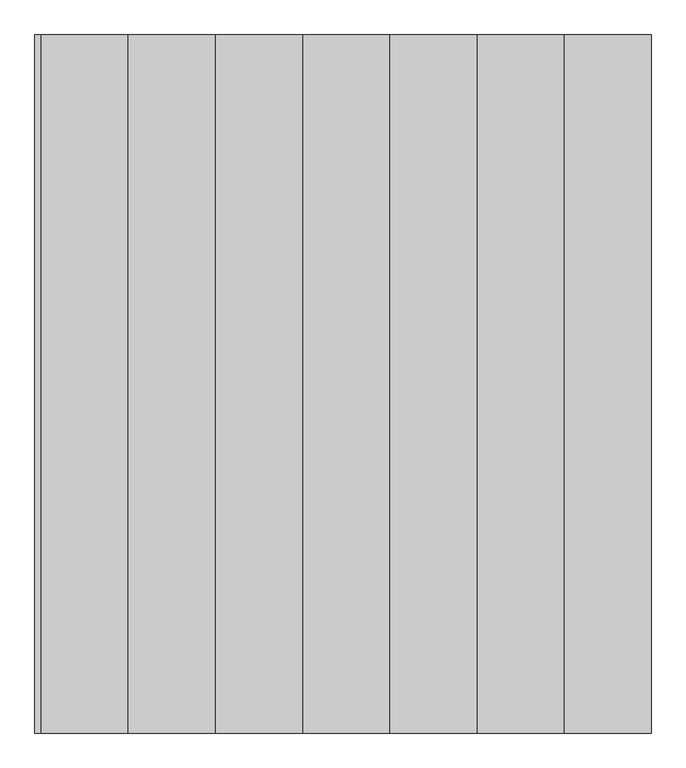
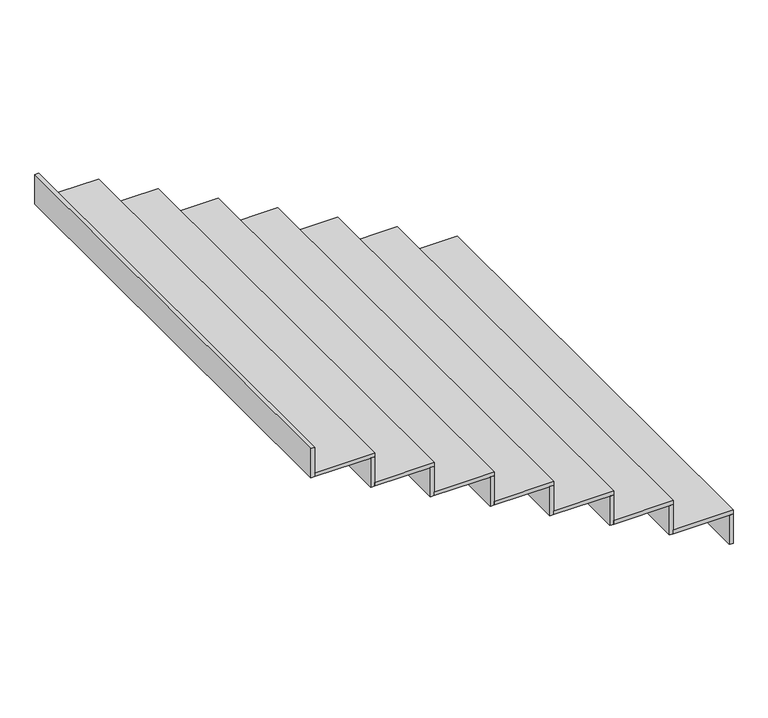
"""IFC4 building model written with IfcOpenShell, lengths in millimetres: stair flight geometry."""

from ifc_helpers import new_model, si_unit, frame, origin, place, context, project, spatial, polyline, outline, extrude, source, transform, mapped, element, save


def stair_flight_fa4d7f8e(model_context):
    return source(origin(), model_context, "Body", "SweptSolid", [
        extrude(outline(polyline([(140353.7432689, 83115.1344505), (140373.7432689, 83115.1344505), (140373.7432689, 80715.1344505), (140353.7432689, 80715.1344505), (140353.7432689, 83115.1344505)])), frame((0.0, 0.0, 9989.9828285), z_axis=(0.0, 0.0, 1.0), x_axis=(1.0, 0.0, 0.0)), (0.0, 0.0, 1.0), 155.5958964),
        extrude(outline(polyline([(140073.7432689, 80715.1344505), (140073.7432689, 83115.1344505), (140373.7432689, 83115.1344505), (140373.7432689, 80715.1344505), (140073.7432689, 80715.1344505)])), frame((0.0, 0.0, 10145.5787249), z_axis=(0.0, 0.0, 1.0), x_axis=(1.0, 0.0, 0.0)), (0.0, 0.0, 1.0), 20.0),
        extrude(outline(polyline([(140053.7432689, 83115.1344505), (140073.7432689, 83115.1344505), (140073.7432689, 80715.1344505), (140053.7432689, 80715.1344505), (140053.7432689, 83115.1344505)])), frame((0.0, 0.0, 10145.5787249), z_axis=(0.0, 0.0, 1.0), x_axis=(1.0, 0.0, 0.0)), (0.0, 0.0, 1.0), 155.5958964),
        extrude(outline(polyline([(139773.7432689, 80715.1344505), (139773.7432689, 83115.1344505), (140073.7432689, 83115.1344505), (140073.7432689, 80715.1344505), (139773.7432689, 80715.1344505)])), frame((0.0, 0.0, 10301.1746214), z_axis=(0.0, 0.0, 1.0), x_axis=(1.0, 0.0, 0.0)), (0.0, 0.0, 1.0), 20.0),
        extrude(outline(polyline([(139753.7432689, 83115.1344505), (139773.7432689, 83115.1344505), (139773.7432689, 80715.1344505), (139753.7432689, 80715.1344505), (139753.7432689, 83115.1344505)])), frame((0.0, 0.0, 10301.1746214), z_axis=(0.0, 0.0, 1.0), x_axis=(1.0, 0.0, 0.0)), (0.0, 0.0, 1.0), 155.5958964),
        extrude(outline(polyline([(139473.7432689, 80715.1344505), (139473.7432689, 83115.1344505), (139773.7432689, 83115.1344505), (139773.7432689, 80715.1344505), (139473.7432689, 80715.1344505)])), frame((0.0, 0.0, 10456.7705178), z_axis=(0.0, 0.0, 1.0), x_axis=(1.0, 0.0, 0.0)), (0.0, 0.0, 1.0), 20.0),
        extrude(outline(polyline([(139453.7432689, 83115.1344505), (139473.7432689, 83115.1344505), (139473.7432689, 80715.1344505), (139453.7432689, 80715.1344505), (139453.7432689, 83115.1344505)])), frame((0.0, 0.0, 10456.7705178), z_axis=(0.0, 0.0, 1.0), x_axis=(1.0, 0.0, 0.0)), (0.0, 0.0, 1.0), 155.5958964),
        extrude(outline(polyline([(139173.7432689, 80715.1344505), (139173.7432689, 83115.1344505), (139473.7432689, 83115.1344505), (139473.7432689, 80715.1344505), (139173.7432689, 80715.1344505)])), frame((0.0, 0.0, 10612.3664142), z_axis=(0.0, 0.0, 1.0), x_axis=(1.0, 0.0, 0.0)), (0.0, 0.0, 1.0), 20.0),
        extrude(outline(polyline([(139153.7432689, 83115.1344505), (139173.7432689, 83115.1344505), (139173.7432689, 80715.1344505), (139153.7432689, 80715.1344505), (139153.7432689, 83115.1344505)])), frame((0.0, 0.0, 10612.3664142), z_axis=(0.0, 0.0, 1.0), x_axis=(1.0, 0.0, 0.0)), (0.0, 0.0, 1.0), 155.5958964),
        extrude(outline(polyline([(138873.7432689, 80715.1344505), (138873.7432689, 83115.1344505), (139173.7432689, 83115.1344505), (139173.7432689, 80715.1344505), (138873.7432689, 80715.1344505)])), frame((0.0, 0.0, 10767.9623107), z_axis=(0.0, 0.0, 1.0), x_axis=(1.0, 0.0, 0.0)), (0.0, 0.0, 1.0), 20.0),
        extrude(outline(polyline([(138853.7432689, 83115.1344505), (138873.7432689, 83115.1344505), (138873.7432689, 80715.1344505), (138853.7432689, 80715.1344505), (138853.7432689, 83115.1344505)])), frame((0.0, 0.0, 10767.9623107), z_axis=(0.0, 0.0, 1.0), x_axis=(1.0, 0.0, 0.0)), (0.0, 0.0, 1.0), 155.5958964),
        extrude(outline(polyline([(138573.7432689, 80715.1344505), (138573.7432689, 83115.1344505), (138873.7432689, 83115.1344505), (138873.7432689, 80715.1344505), (138573.7432689, 80715.1344505)])), frame((0.0, 0.0, 10923.5582071), z_axis=(0.0, 0.0, 1.0), x_axis=(1.0, 0.0, 0.0)), (0.0, 0.0, 1.0), 20.0),
        extrude(outline(polyline([(138553.7432689, 83115.1344505), (138573.7432689, 83115.1344505), (138573.7432689, 80715.1344505), (138553.7432689, 80715.1344505), (138553.7432689, 83115.1344505)])), frame((0.0, 0.0, 10923.5582071), z_axis=(0.0, 0.0, 1.0), x_axis=(1.0, 0.0, 0.0)), (0.0, 0.0, 1.0), 155.5958964),
        extrude(outline(polyline([(138253.7432689, 83115.1344505), (138273.7432689, 83115.1344505), (138273.7432689, 80715.1344505), (138253.7432689, 80715.1344505), (138253.7432689, 83115.1344505)])), frame((0.0, 0.0, 11079.1541036), z_axis=(0.0, 0.0, 1.0), x_axis=(1.0, 0.0, 0.0)), (0.0, 0.0, 1.0), 155.5958964),
        extrude(outline(polyline([(138273.7432689, 80715.1344505), (138273.7432689, 83115.1344505), (138573.7432689, 83115.1344505), (138573.7432689, 80715.1344505), (138273.7432689, 80715.1344505)])), frame((0.0, 0.0, 11079.1541036), z_axis=(0.0, 0.0, 1.0), x_axis=(1.0, 0.0, 0.0)), (0.0, 0.0, 1.0), 20.0),
    ])


if __name__ == "__main__":
    model = new_model("IFC4")
    model_context = context("Model", 3, world=origin())
    ifc_project = project(units=[si_unit("LENGTHUNIT", "METRE", prefix="MILLI")], contexts=[model_context])
    site = spatial("IfcSite", under=ifc_project)
    building = spatial("IfcBuilding", under=site)
    placement = place(None, origin())
    stair_flight_shape = stair_flight_fa4d7f8e(model_context)
    element("IfcStairFlight", 1, at=placement, inside=building, context=model_context, shape_type="MappedRepresentation", body=[
        mapped(stair_flight_shape, transform((0.0, 0.0, 0.0), x_axis=(1.0, 0.0, 0.0), y_axis=(0.0, 1.0, 0.0), z_axis=(0.0, 0.0, 1.0))),
    ])
    save(model, "model.ifc")
